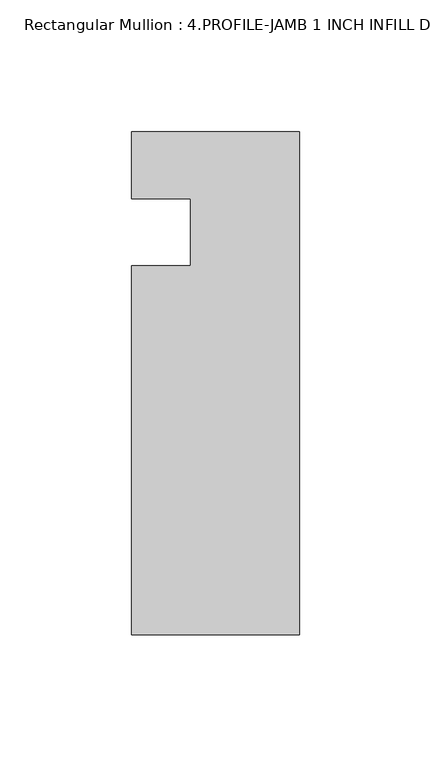
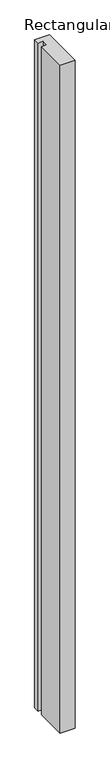
"""IFC4 building model written with IfcOpenShell, lengths in millimetres: member geometry, Rectangular Mullion : 4.PROFILE-JAMB 1 INCH INFILL DETAIL 7."""

from ifc_helpers import new_model, si_unit, frame, origin, place, context, project, spatial, polyline, outline, extrude, source, transform, mapped, element, save


def rectangular_mullion_4_profile_jamb_1_inch_infill_detail_7_56ba5b16(model_context):
    return source(origin(), model_context, "Body", "SweptSolid", [
        extrude(outline(polyline([(0.0, -89.7468871), (-63.5, -89.7468871), (-63.5, 49.9531079), (-41.2751132, 49.9531079), (-41.2751132, 75.3531079), (-63.5, 75.3531079), (-63.5, 100.7531079), (0.0, 100.7531079), (0.0, -89.7468871)])), frame((0.0, 0.0, -3048.0), z_axis=(0.0, 0.0, 1.0), x_axis=(1.0, 0.0, 0.0)), (0.0, 0.0, 1.0), 3048.0),
    ])


if __name__ == "__main__":
    model = new_model("IFC4")
    model_context = context("Model", 3, world=origin())
    ifc_project = project(units=[si_unit("LENGTHUNIT", "METRE", prefix="MILLI")], contexts=[model_context])
    site = spatial("IfcSite", under=ifc_project)
    building = spatial("IfcBuilding", under=site)
    placement = place(None, origin())
    rectangular_mullion_4_profile_jamb_1_inch_infill_detail_7_shape = rectangular_mullion_4_profile_jamb_1_inch_infill_detail_7_56ba5b16(model_context)
    element("IfcMember", 1, ObjectType="Rectangular Mullion : 4.PROFILE-JAMB 1 INCH INFILL DETAIL 7", at=placement, inside=building, context=model_context, shape_type="MappedRepresentation", body=[
        mapped(rectangular_mullion_4_profile_jamb_1_inch_infill_detail_7_shape, transform((0.0, 0.0, 0.0), x_axis=(1.0, 0.0, 0.0), y_axis=(0.0, 1.0, 0.0), z_axis=(0.0, 0.0, 1.0))),
    ])
    save(model, "model.ifc")
